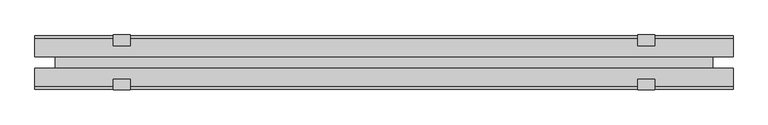
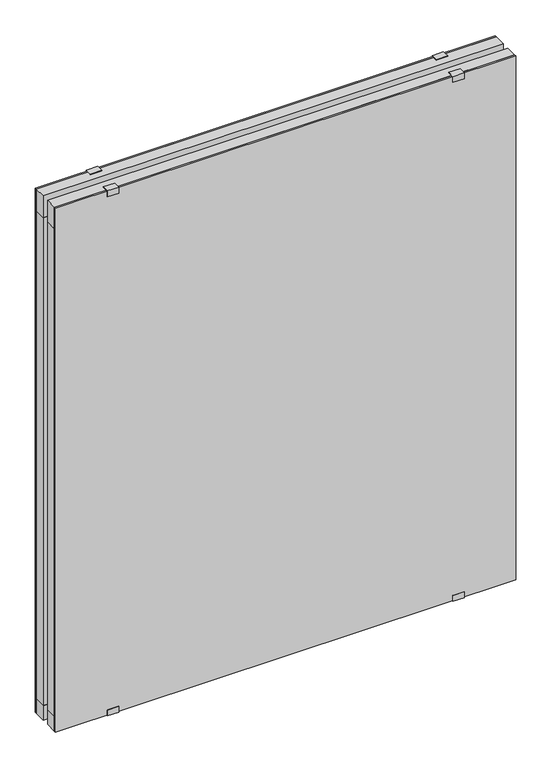
"""IFC4 building model written with IfcOpenShell, lengths in millimetres: plate geometry."""

from ifc_helpers import new_model, si_unit, frame, origin, origin_with_axes, place, context, project, spatial, polyline, outline, extrude, source, transform, mapped, element, save


def plate_dd26d067(model_context):
    return source(origin(), model_context, "Body", "SweptSolid", [
        extrude(outline(polyline([(603.3750001, -10.0), (603.3750001, -41.0), (-603.3750001, -41.0), (-603.3750001, -10.0), (603.3750001, -10.0)])), origin_with_axes(), (0.0, 0.0, 1.0), 40.0),
        extrude(outline(polyline([(603.3750001, 41.0), (603.3750001, 10.0), (-603.3750001, 10.0), (-603.3750001, 41.0), (603.3750001, 41.0)])), origin_with_axes(), (0.0, 0.0, 1.0), 40.0),
        extrude(outline(polyline([(603.3750001, -10.0), (603.3750001, -41.0), (-603.3750001, -41.0), (-603.3750001, -10.0), (603.3750001, -10.0)])), frame((0.0, 0.0, 1393.5), z_axis=(0.0, 0.0, 1.0), x_axis=(1.0, 0.0, 0.0)), (0.0, 0.0, 1.0), 60.0),
        extrude(outline(polyline([(603.3750001, 41.0), (603.3750001, 10.0), (-603.3750001, 10.0), (-603.3750001, 41.0), (603.3750001, 41.0)])), frame((0.0, 0.0, 1393.5), z_axis=(0.0, 0.0, 1.0), x_axis=(1.0, 0.0, 0.0)), (0.0, 0.0, 1.0), 60.0),
        extrude(outline(polyline([(567.8750001, -10.0), (-567.8750001, -10.0), (-567.8750001, 10.0), (567.8750001, 10.0), (567.8750001, -10.0)])), frame((0.0, 0.0, 11.0), z_axis=(0.0, 0.0, 1.0), x_axis=(1.0, 0.0, 0.0)), (0.0, 0.0, 1.0), 1414.5),
        extrude(outline(polyline([(603.3750001, 41.0), (-603.3750001, 41.0), (-603.3750001, 46.0), (603.3750001, 46.0), (603.3750001, 41.0)])), origin_with_axes(), (0.0, 0.0, 1.0), 1453.5),
        extrude(outline(polyline([(-603.3750001, -46.0), (-603.3750001, -41.0), (603.3750001, -41.0), (603.3750001, -46.0), (-603.3750001, -46.0)])), origin_with_axes(), (0.0, 0.0, 1.0), 1453.5),
        extrude(outline(polyline([(543.6119275, -10.0), (603.3750001, -10.0), (603.3750001, -41.0), (564.1183344, -41.0), (543.6119275, -13.4129412), (543.6119275, -10.0)])), frame((0.0, 0.0, 40.0), z_axis=(0.0, 0.0, 1.0), x_axis=(1.0, 0.0, 0.0)), (0.0, 0.0, 1.0), 1353.5),
        extrude(outline(polyline([(543.6119275, 10.0), (543.6119275, 13.4129412), (564.1183344, 41.0), (603.3750001, 41.0), (603.3750001, 10.0), (543.6119275, 10.0)])), frame((0.0, 0.0, 40.0), z_axis=(0.0, 0.0, 1.0), x_axis=(1.0, 0.0, 0.0)), (0.0, 0.0, 1.0), 1353.5),
        extrude(outline(polyline([(-543.6119275, -10.0), (-543.6119275, -13.4129412), (-564.1183344, -41.0), (-603.3750001, -41.0), (-603.3750001, -10.0), (-543.6119275, -10.0)])), frame((0.0, 0.0, 40.0), z_axis=(0.0, 0.0, 1.0), x_axis=(1.0, 0.0, 0.0)), (0.0, 0.0, 1.0), 1353.5),
        extrude(outline(polyline([(-543.6119275, 10.0), (-603.3750001, 10.0), (-603.3750001, 41.0), (-564.1183344, 41.0), (-543.6119275, 13.4129412), (-543.6119275, 10.0)])), frame((0.0, 0.0, 40.0), z_axis=(0.0, 0.0, 1.0), x_axis=(1.0, 0.0, 0.0)), (0.0, 0.0, 1.0), 1353.5),
        extrude(outline(polyline([(-47.5, 1455.0), (-29.0, 1455.0), (-29.0, 1453.5), (-46.0, 1453.5), (-46.0, 1438.5), (-47.5, 1438.5), (-47.5, 1455.0)])), frame((-468.3750001, 0.0, 0.0), z_axis=(1.0, 0.0, 0.0), x_axis=(0.0, 1.0, 0.0)), (0.0, 0.0, 1.0), 30.0),
        extrude(outline(polyline([(47.5, 1438.5), (46.0, 1438.5), (46.0, 1453.5), (29.0, 1453.5), (29.0, 1455.0), (47.5, 1455.0), (47.5, 1438.5)])), frame((-468.3750001, 0.0, 0.0), z_axis=(1.0, 0.0, 0.0), x_axis=(0.0, 1.0, 0.0)), (0.0, 0.0, 1.0), 30.0),
        extrude(outline(polyline([(-47.1, 15.0), (-46.0, 15.0), (-46.0, 0.0), (-31.0, 0.0), (-31.0, -1.2), (-47.1, -1.2), (-47.1, 15.0)])), frame((-468.3750001, 0.0, 0.0), z_axis=(1.0, 0.0, 0.0), x_axis=(0.0, 1.0, 0.0)), (0.0, 0.0, 1.0), 30.0),
        extrude(outline(polyline([(47.1, -1.2), (31.0, -1.2), (31.0, 0.0), (46.0, 0.0), (46.0, 15.0), (47.1, 15.0), (47.1, -1.2)])), frame((-468.3750001, 0.0, 0.0), z_axis=(1.0, 0.0, 0.0), x_axis=(0.0, 1.0, 0.0)), (0.0, 0.0, 1.0), 30.0),
        extrude(outline(polyline([(-47.5, 1455.0), (-29.0, 1455.0), (-29.0, 1453.5), (-46.0, 1453.5), (-46.0, 1438.5), (-47.5, 1438.5), (-47.5, 1455.0)])), frame((438.3750001, 0.0, 0.0), z_axis=(1.0, 0.0, 0.0), x_axis=(0.0, 1.0, 0.0)), (0.0, 0.0, 1.0), 30.0),
        extrude(outline(polyline([(29.0, 1455.0), (47.5, 1455.0), (47.5, 1438.5), (46.0, 1438.5), (46.0, 1453.5), (29.0, 1453.5), (29.0, 1455.0)])), frame((438.3750001, 0.0, 0.0), z_axis=(1.0, 0.0, 0.0), x_axis=(0.0, 1.0, 0.0)), (0.0, 0.0, 1.0), 30.0),
        extrude(outline(polyline([(-47.1, 15.0), (-46.0, 15.0), (-46.0, 0.0), (-31.0, 0.0), (-31.0, -1.2), (-47.1, -1.2), (-47.1, 15.0)])), frame((438.3750001, 0.0, 0.0), z_axis=(1.0, 0.0, 0.0), x_axis=(0.0, 1.0, 0.0)), (0.0, 0.0, 1.0), 30.0),
        extrude(outline(polyline([(47.1, -1.2), (31.0, -1.2), (31.0, 0.0), (46.0, 0.0), (46.0, 15.0), (47.1, 15.0), (47.1, -1.2)])), frame((438.3750001, 0.0, 0.0), z_axis=(1.0, 0.0, 0.0), x_axis=(0.0, 1.0, 0.0)), (0.0, 0.0, 1.0), 30.0),
    ])


if __name__ == "__main__":
    model = new_model("IFC4")
    model_context = context("Model", 3, world=origin())
    ifc_project = project(units=[si_unit("LENGTHUNIT", "METRE", prefix="MILLI")], contexts=[model_context])
    site = spatial("IfcSite", under=ifc_project)
    building = spatial("IfcBuilding", under=site)
    placement = place(None, origin())
    plate_shape = plate_dd26d067(model_context)
    element("IfcPlate", 1, at=placement, inside=building, context=model_context, shape_type="MappedRepresentation", body=[
        mapped(plate_shape, transform((0.0, 0.0, 0.0), x_axis=(1.0, 0.0, 0.0), y_axis=(0.0, 1.0, 0.0), z_axis=(0.0, 0.0, 1.0))),
    ])
    save(model, "model.ifc")
